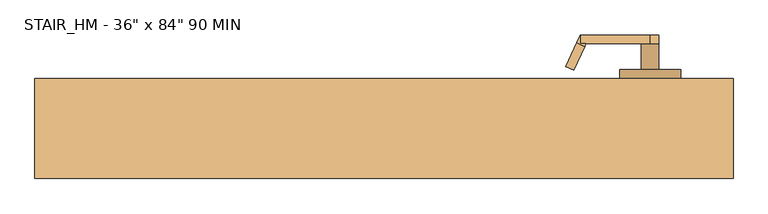
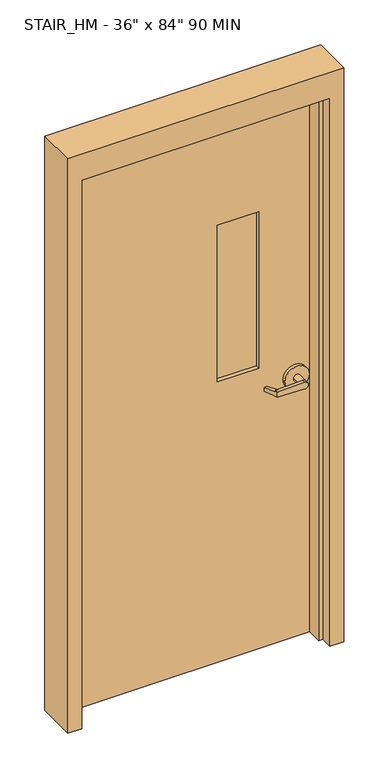
"""IFC4 building model written with IfcOpenShell, lengths in millimetres: door geometry."""

from ifc_helpers import new_model, si_unit, frame, origin, place, context, project, spatial, polyline, circle_curve, outline, extrude, faceted_brep, source, transform, mapped, element, save
from ifc_brep_helpers import plane_surface, cylinder_surface, advanced_brep


def door_af46dc43(model_context):
    return source(origin(), model_context, "Body", "SolidModel", [
        advanced_brep(
        [(291.892857, -18.0476392, 1006.475), (275.7911012, 16.4826875, 1009.65), (275.7911012, 16.4826875, 1022.35), (291.892857, -18.0476392, 1025.525), (293.8407923, -22.225, 1025.525), (293.8407923, -22.225, 1006.475), (285.75, -34.925, 1025.525), (280.3827481, -23.4148911, 1025.525), (264.2809923, 11.1154356, 1022.35), (264.2809923, 11.1154356, 1009.65), (280.3827481, -23.4148911, 1006.475), (285.75, -34.925, 1006.475), (285.75, -22.225, 1006.475), (285.75, -22.225, 1025.525), (386.9525418, -34.925, 1003.3062209), (386.9525418, -34.925, 1028.6937791), (386.9525418, -22.225, 1028.6937791), (374.65, -22.225, 1016.0), (386.9525418, -22.225, 1003.3062209), (400.05, -22.225, 1016.0), (400.05, 15.875, 1016.0), (374.65, 15.875, 1016.0), (431.8, 15.875, 1016.0), (342.9, 15.875, 1016.0), (431.8, 28.575, 1016.0), (342.9, 28.575, 1016.0)],
        [
            (0, 1),
            (1, 2),
            (2, 3),
            (3, 4),
            (4, 5),
            (5, 0),
            (6, 7),
            (7, 8),
            (8, 9),
            (9, 10),
            (10, 11),
            (11, 6),
            (10, 0),
            (5, 12),
            (12, 11),
            (9, 1),
            (8, 2),
            (7, 3),
            (6, 13),
            (13, 4),
            (11, 14),
            (14, 15, circle_curve(frame((387.35, -34.925, 1016.0), z_axis=(0.0, -1.0, 0.0), x_axis=(-1.0, 0.0, 0.0)), 12.7)),
            (15, 6),
            (13, 16),
            (16, 17, circle_curve(frame((387.35, -22.225, 1016.0), z_axis=(0.0, -1.0, 0.0), x_axis=(-1.0, 0.0, 0.0)), 12.7)),
            (17, 18, circle_curve(frame((387.35, -22.225, 1016.0), z_axis=(0.0, -1.0, 0.0), x_axis=(-1.0, 0.0, 0.0)), 12.7)),
            (18, 12),
            (18, 14),
            (18, 19, circle_curve(frame((387.35, -22.225, 1016.0), z_axis=(0.0, -1.0, 0.0), x_axis=(-1.0, 0.0, 0.0)), 12.7)),
            (19, 16, circle_curve(frame((387.35, -22.225, 1016.0), z_axis=(0.0, -1.0, 0.0), x_axis=(-1.0, 0.0, 0.0)), 12.7)),
            (16, 15),
            (19, 20),
            (20, 21, circle_curve(frame((387.35, 15.875, 1016.0), z_axis=(0.0, -1.0, 0.0), x_axis=(-1.0, 0.0, 0.0)), 12.7)),
            (21, 17),
            (21, 20, circle_curve(frame((387.35, 15.875, 1016.0), z_axis=(0.0, -1.0, 0.0), x_axis=(-1.0, 0.0, 0.0)), 12.7)),
            (22, 23, circle_curve(frame((387.35, 15.875, 1016.0), z_axis=(0.0, -1.0, 0.0), x_axis=(-1.0, 0.0, 0.0)), 44.45)),
            (23, 22, circle_curve(frame((387.35, 15.875, 1016.0), z_axis=(0.0, -1.0, 0.0), x_axis=(-1.0, 0.0, 0.0)), 44.45)),
            (24, 25, circle_curve(frame((387.35, 28.575, 1016.0), z_axis=(0.0, 1.0, 0.0), x_axis=(-1.0, 0.0, 0.0)), 44.45)),
            (25, 24, circle_curve(frame((387.35, 28.575, 1016.0), z_axis=(0.0, 1.0, 0.0), x_axis=(-1.0, 0.0, 0.0)), 44.45)),
            (22, 24),
            (25, 23),
        ],
        [
            plane_surface(frame((297.2601089, -29.5577481, 1006.475), z_axis=(0.9063077870366494, 0.4226182617407007, 0.0), x_axis=(0.0, 0.0, -1.0))),
            plane_surface(frame((285.75, -34.925, 1006.475), z_axis=(-0.9063077870366494, -0.4226182617407007, 0.0), x_axis=(0.0, 0.0, 1.0))),
            plane_surface(frame((297.2601089, -29.5577481, 1006.475), z_axis=(0.0, 0.0, -1.0000000000000002), x_axis=(-0.9063077870366494, -0.42261826174070094, 0.0))),
            plane_surface(frame((291.892857, -18.0476392, 1006.475), z_axis=(-0.035096536341209586, 0.07526476506963879, -0.9965457582448799), x_axis=(-0.9063077870366494, -0.42261826174070094, 0.0))),
            plane_surface(frame((275.7911012, 16.4826875, 1009.65), z_axis=(-0.42261826174070094, 0.9063077870366494, 0.0), x_axis=(-0.9063077870366494, -0.42261826174070094, 0.0))),
            plane_surface(frame((275.7911012, 16.4826875, 1022.35), z_axis=(-0.03509653634121044, 0.07526476506964089, 0.9965457582448796), x_axis=(-0.9063077870366495, -0.42261826174070033, 0.0))),
            plane_surface(frame((291.892857, -18.0476392, 1025.525), z_axis=(0.0, 0.0, 1.0000000000000002), x_axis=(-0.9063077870366494, -0.42261826174070094, 0.0))),
            plane_surface(frame((285.75, -34.925, 1006.475), z_axis=(0.0, -1.0, 0.0), x_axis=(0.9995101626549141, 0.0, -0.03129592225110647))),
            plane_surface(frame((285.75, -22.225, 1006.475), z_axis=(0.0, 1.0, 0.0), x_axis=(-0.9995101626549141, 0.0, 0.03129592225110647))),
            plane_surface(frame((285.75, -34.925, 1006.475), z_axis=(-0.03129592225110647, 0.0, -0.9995101626549141), x_axis=(0.0, 1.0, 0.0))),
            cylinder_surface(frame((387.35, -22.225, 1016.0), z_axis=(0.0, -1.0, 0.0), x_axis=(-1.0, 0.0, 0.0)), 12.7),
            plane_surface(frame((386.9525418, -34.925, 1028.6937791), z_axis=(-0.03129592225110282, 0.0, 0.9995101626549142), x_axis=(0.0, 1.0, 0.0))),
            cylinder_surface(frame((387.35, 15.875, 1016.0), z_axis=(0.0, -1.0, 0.0), x_axis=(-1.0, 0.0, 0.0)), 12.7),
            plane_surface(frame((342.9, 15.875, 1016.0), z_axis=(0.0, -1.0, 0.0), x_axis=(0.0, 0.0, -1.0))),
            plane_surface(frame((342.9, 28.575, 1016.0), z_axis=(0.0, 1.0, 0.0), x_axis=(0.0, 0.0, 1.0))),
            cylinder_surface(frame((387.35, 28.575, 1016.0), z_axis=(0.0, -1.0, 0.0), x_axis=(-1.0, 0.0, 0.0)), 44.45),
        ],
        [
            (0, [[1, 2, 3, 4, 5, 6]]),
            (1, [[7, 8, 9, 10, 11, 12]]),
            (2, [[-11, 13, -6, 14, 15]]),
            (3, [[-1, -13, -10, 16]]),
            (4, [[-2, -16, -9, 17]]),
            (5, [[-3, -17, -8, 18]]),
            (6, [[-7, 19, 20, -4, -18]]),
            (7, [[21, 22, 23, -12]]),
            (8, [[24, 25, 26, 27, -14, -5, -20]]),
            (9, [[-21, -15, -27, 28]]),
            (10, [[-22, -28, 29, 30, 31]]),
            (11, [[-23, -31, -24, -19]]),
            (12, [[32, 33, 34, -25, -30]]),
            (12, [[-32, -29, -26, -34, 35]]),
            (13, [[36, 37], [-33, -35]]),
            (14, [[38, 39]]),
            (15, [[-36, 40, -39, 41]]),
            (15, [[-37, -41, -38, -40]]),
        ],
    ),
        advanced_brep(
        [(291.892857, 119.6476392, 1025.525), (275.7911012, 85.1173125, 1022.35), (275.7911012, 85.1173125, 1009.65), (291.892857, 119.6476392, 1006.475), (293.8407923, 123.825, 1006.475), (293.8407923, 123.825, 1025.525), (285.75, 136.525, 1006.475), (280.3827481, 125.0148911, 1006.475), (264.2809923, 90.4845644, 1009.65), (264.2809923, 90.4845644, 1022.35), (280.3827481, 125.0148911, 1025.525), (285.75, 136.525, 1025.525), (285.75, 123.825, 1025.525), (285.75, 123.825, 1006.475), (386.9525418, 136.525, 1028.6937791), (386.9525418, 136.525, 1003.3062209), (386.9525418, 123.825, 1003.3062209), (374.65, 123.825, 1016.0), (386.9525418, 123.825, 1028.6937791), (400.05, 123.825, 1016.0), (400.05, 85.725, 1016.0), (374.65, 85.725, 1016.0), (431.8, 85.725, 1016.0), (342.9, 85.725, 1016.0), (431.8, 73.025, 1016.0), (342.9, 73.025, 1016.0)],
        [
            (0, 1),
            (1, 2),
            (2, 3),
            (3, 4),
            (4, 5),
            (5, 0),
            (6, 7),
            (7, 8),
            (8, 9),
            (9, 10),
            (10, 11),
            (11, 6),
            (10, 0),
            (5, 12),
            (12, 11),
            (9, 1),
            (8, 2),
            (7, 3),
            (6, 13),
            (13, 4),
            (11, 14),
            (14, 15, circle_curve(frame((387.35, 136.525, 1016.0), z_axis=(0.0, 1.0, 0.0), x_axis=(-1.0, 0.0, 0.0)), 12.7)),
            (15, 6),
            (13, 16),
            (16, 17, circle_curve(frame((387.35, 123.825, 1016.0), z_axis=(0.0, 1.0, 0.0), x_axis=(-1.0, 0.0, 0.0)), 12.7)),
            (17, 18, circle_curve(frame((387.35, 123.825, 1016.0), z_axis=(0.0, 1.0, 0.0), x_axis=(-1.0, 0.0, 0.0)), 12.7)),
            (18, 12),
            (18, 14),
            (18, 19, circle_curve(frame((387.35, 123.825, 1016.0), z_axis=(0.0, 1.0, 0.0), x_axis=(-1.0, 0.0, 0.0)), 12.7)),
            (19, 16, circle_curve(frame((387.35, 123.825, 1016.0), z_axis=(0.0, 1.0, 0.0), x_axis=(-1.0, 0.0, 0.0)), 12.7)),
            (16, 15),
            (19, 20),
            (20, 21, circle_curve(frame((387.35, 85.725, 1016.0), z_axis=(0.0, 1.0, 0.0), x_axis=(-1.0, 0.0, 0.0)), 12.7)),
            (21, 17),
            (21, 20, circle_curve(frame((387.35, 85.725, 1016.0), z_axis=(0.0, 1.0, 0.0), x_axis=(-1.0, 0.0, 0.0)), 12.7)),
            (22, 23, circle_curve(frame((387.35, 85.725, 1016.0), z_axis=(0.0, 1.0, 0.0), x_axis=(-1.0, 0.0, 0.0)), 44.45)),
            (23, 22, circle_curve(frame((387.35, 85.725, 1016.0), z_axis=(0.0, 1.0, 0.0), x_axis=(-1.0, 0.0, 0.0)), 44.45)),
            (24, 25, circle_curve(frame((387.35, 73.025, 1016.0), z_axis=(0.0, -1.0, 0.0), x_axis=(-1.0, 0.0, 0.0)), 44.45)),
            (25, 24, circle_curve(frame((387.35, 73.025, 1016.0), z_axis=(0.0, -1.0, 0.0), x_axis=(-1.0, 0.0, 0.0)), 44.45)),
            (22, 24),
            (25, 23),
        ],
        [
            plane_surface(frame((297.2601089, 131.1577481, 1025.525), z_axis=(0.9063077870366494, -0.4226182617407007, 0.0), x_axis=(0.0, 0.0, 1.0))),
            plane_surface(frame((285.75, 136.525, 1025.525), z_axis=(-0.9063077870366494, 0.4226182617407007, 0.0), x_axis=(0.0, 0.0, -1.0))),
            plane_surface(frame((297.2601089, 131.1577481, 1025.525), z_axis=(0.0, 0.0, 1.0000000000000002), x_axis=(-0.9063077870366494, 0.42261826174070094, 0.0))),
            plane_surface(frame((291.892857, 119.6476392, 1025.525), z_axis=(-0.03509653634120952, -0.07526476506963879, 0.9965457582448799), x_axis=(-0.9063077870366494, 0.42261826174070094, 0.0))),
            plane_surface(frame((275.7911012, 85.1173125, 1022.35), z_axis=(-0.42261826174070094, -0.9063077870366494, 0.0), x_axis=(-0.9063077870366494, 0.42261826174070094, 0.0))),
            plane_surface(frame((275.7911012, 85.1173125, 1009.65), z_axis=(-0.03509653634121051, -0.07526476506964089, -0.9965457582448796), x_axis=(-0.9063077870366495, 0.42261826174070033, 0.0))),
            plane_surface(frame((291.892857, 119.6476392, 1006.475), z_axis=(0.0, 0.0, -1.0000000000000002), x_axis=(-0.9063077870366494, 0.42261826174070094, 0.0))),
            plane_surface(frame((285.75, 136.525, 1025.525), z_axis=(0.0, 1.0, 0.0), x_axis=(0.9995101626549141, 0.0, 0.0312959222511064))),
            plane_surface(frame((285.75, 123.825, 1025.525), z_axis=(0.0, -1.0, 0.0), x_axis=(-0.9995101626549141, 0.0, -0.0312959222511064))),
            plane_surface(frame((285.75, 136.525, 1025.525), z_axis=(-0.0312959222511064, 0.0, 0.9995101626549141), x_axis=(0.0, -1.0, 0.0))),
            cylinder_surface(frame((387.35, 123.825, 1016.0), z_axis=(0.0, 1.0, 0.0), x_axis=(-1.0, 0.0, 0.0)), 12.7),
            plane_surface(frame((386.9525418, 136.525, 1003.3062209), z_axis=(-0.03129592225110289, 0.0, -0.9995101626549142), x_axis=(0.0, -1.0, 0.0))),
            cylinder_surface(frame((387.35, 85.725, 1016.0), z_axis=(0.0, 1.0, 0.0), x_axis=(-1.0, 0.0, 0.0)), 12.7),
            plane_surface(frame((342.9, 85.725, 1016.0), z_axis=(0.0, 1.0, 0.0), x_axis=(0.0, 0.0, 1.0))),
            plane_surface(frame((342.9, 73.025, 1016.0), z_axis=(0.0, -1.0, 0.0), x_axis=(0.0, 0.0, -1.0))),
            cylinder_surface(frame((387.35, 73.025, 1016.0), z_axis=(0.0, 1.0, 0.0), x_axis=(-1.0, 0.0, 0.0)), 44.45),
        ],
        [
            (0, [[1, 2, 3, 4, 5, 6]]),
            (1, [[7, 8, 9, 10, 11, 12]]),
            (2, [[-11, 13, -6, 14, 15]]),
            (3, [[-1, -13, -10, 16]]),
            (4, [[-2, -16, -9, 17]]),
            (5, [[-3, -17, -8, 18]]),
            (6, [[-7, 19, 20, -4, -18]]),
            (7, [[21, 22, 23, -12]]),
            (8, [[24, 25, 26, 27, -14, -5, -20]]),
            (9, [[-21, -15, -27, 28]]),
            (10, [[-22, -28, 29, 30, 31]]),
            (11, [[-23, -31, -24, -19]]),
            (12, [[32, 33, 34, -25, -30]]),
            (12, [[-32, -29, -26, -34, 35]]),
            (13, [[36, 37], [-33, -35]]),
            (14, [[38, 39]]),
            (15, [[-36, 40, -39, 41]]),
            (15, [[-37, -41, -38, -40]]),
        ],
    ),
        extrude(outline(polyline([(101.6, 57.15), (254.0, 57.15), (254.0, 44.45), (101.6, 44.45), (101.6, 57.15)])), frame((0.0, 0.0, 1092.2), z_axis=(0.0, 0.0, 1.0), x_axis=(1.0, 0.0, 0.0)), (0.0, 0.0, 1.0), 609.6),
        extrude(outline(polyline([(2133.6, -457.2), (0.0, -457.2), (0.0, 457.2), (2133.6, 457.2), (2133.6, -457.2)]), holes=[polyline([(1701.8, 101.6), (1701.8, 254.0), (1092.2, 254.0), (1092.2, 101.6), (1701.8, 101.6)])]), frame((0.0, 28.575, 0.0), z_axis=(0.0, 1.0, 0.0), x_axis=(0.0, 0.0, 1.0)), (0.0, 0.0, 1.0), 44.45),
        faceted_brep([(-457.2, 73.025, 0.0), (-457.2, 28.575, 0.0), (-441.325, 28.575, 0.0), (-441.325, -28.575, 0.0), (-457.2, -28.575, 0.0), (-457.2, -73.025, 0.0), (-508.0, -73.025, 0.0), (-508.0, 73.025, 0.0), (-457.2, 73.025, 2133.6), (-457.2, 28.575, 2133.6), (457.2, 28.575, 2133.6), (457.2, 28.575, 0.0), (441.325, 28.575, 0.0), (441.325, 28.575, 2117.725), (-441.325, 28.575, 2117.725), (-441.325, -28.575, 2117.725), (441.325, -28.575, 2117.725), (441.325, -28.575, 0.0), (457.2, -28.575, 0.0), (457.2, -28.575, 2133.6), (-457.2, -28.575, 2133.6), (-457.2, -73.025, 2133.6), (457.2, -73.025, 2133.6), (457.2, -73.025, 0.0), (508.0, -73.025, 0.0), (508.0, -73.025, 2235.2), (-508.0, -73.025, 2235.2), (-508.0, 73.025, 2235.2), (508.0, 73.025, 2235.2), (508.0, 73.025, 0.0), (457.2, 73.025, 0.0), (457.2, 73.025, 2133.6)], [[[0, 1, 2, 3, 4, 5, 6, 7]], [[1, 0, 8, 9]], [[2, 1, 9, 10, 11, 12, 13, 14]], [[3, 2, 14, 15]], [[4, 3, 15, 16, 17, 18, 19, 20]], [[5, 4, 20, 21]], [[6, 5, 21, 22, 23, 24, 25, 26]], [[7, 6, 26, 27]], [[0, 7, 27, 28, 29, 30, 31, 8]], [[30, 11, 10, 31]], [[30, 29, 24, 23, 18, 17, 12, 11]], [[12, 17, 16, 13]], [[19, 18, 23, 22]], [[29, 28, 25, 24]], [[25, 28, 27, 26]], [[21, 20, 19, 22]], [[15, 14, 13, 16]], [[10, 9, 8, 31]]]),
    ])


if __name__ == "__main__":
    model = new_model("IFC4")
    model_context = context("Model", 3, world=origin())
    ifc_project = project(units=[si_unit("LENGTHUNIT", "METRE", prefix="MILLI")], contexts=[model_context])
    site = spatial("IfcSite", under=ifc_project)
    building = spatial("IfcBuilding", under=site)
    placement = place(None, origin())
    door_shape = door_af46dc43(model_context)
    element("IfcDoor", 1, ObjectType="STAIR_HM - 36\" x 84\" 90 MIN", at=placement, inside=building, context=model_context, shape_type="MappedRepresentation", body=[
        mapped(door_shape, transform((0.0, 0.0, 0.0), x_axis=(1.0, 0.0, 0.0), y_axis=(0.0, 1.0, 0.0), z_axis=(0.0, 0.0, 1.0))),
    ])
    save(model, "model.ifc")
